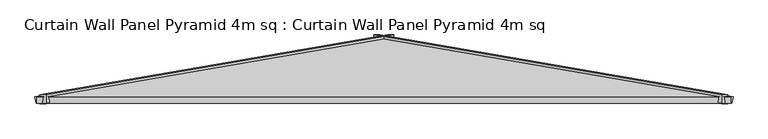
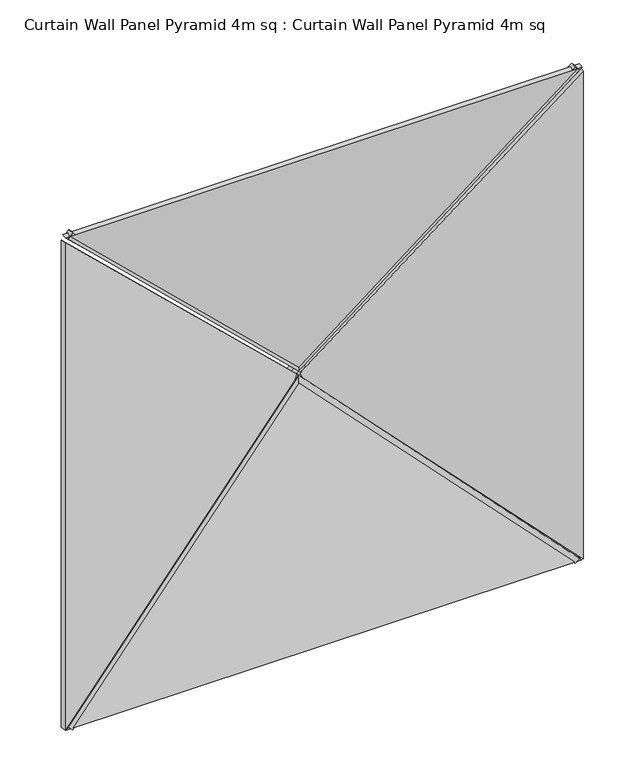
"""IFC4 building model written with IfcOpenShell, lengths in millimetres: plate geometry, Curtain Wall Panel Pyramid 4m sq : Curtain Wall Panel Pyramid 4m sq."""

from ifc_helpers import new_model, si_unit, frame, origin, place, context, project, spatial, polyline, outline, extrude, source, transform, mapped, element, save


def curtain_wall_panel_pyramid_4m_sq_curtain_wall_panel_pyramid_855fecfa(model_context):
    return source(origin(), model_context, "Body", "SweptSolid", [
        extrude(outline(polyline([(-25.0, 0.0), (25.0, 0.0), (-319.5008531, -2828.2124727), (-369.5008531, -2828.2124727), (-25.0, 0.0)])), frame((1942.3223305, 25.0, -17.6776695), z_axis=(0.7071067811865489, 0.0, 0.7071067811865461), x_axis=(0.0, -1.0, 0.0)), (0.0, 0.0, 1.0), 50.0),
        extrude(outline(polyline([(-25.0, 0.0), (25.0, 0.0), (369.5008531, -2828.2124727), (319.5008531, -2828.2124727), (-25.0, 0.0)])), frame((-1942.3223305, 25.0, -17.6776695), z_axis=(-0.7071067811865475, 0.0, 0.7071067811865477), x_axis=(0.0, 1.0, 0.0)), (0.0, 0.0, 1.0), 50.0),
        extrude(outline(polyline([(-25.0, 0.0), (25.0, 0.0), (369.5008531, -2828.2124727), (319.5008531, -2828.2124727), (-25.0, 0.0)])), frame((-1977.6776695, 25.0, 4007.3223305), z_axis=(0.7071067811865489, 0.0, 0.7071067811865462), x_axis=(0.0, 1.0, 0.0)), (0.0, 0.0, 1.0), 50.0),
        extrude(outline(polyline([(-25.0, 0.0), (25.0, 0.0), (-319.5008531, -2828.2124727), (-369.5008531, -2828.2124727), (-25.0, 0.0)])), frame((1977.6776695, 25.0, 4007.3223305), z_axis=(-0.7071067811865472, 0.0, 0.7071067811865479), x_axis=(0.0, -1.0, 0.0)), (0.0, 0.0, 1.0), 50.0),
        extrude(outline(polyline([(1993.2098768, -1014.7271131), (-2.1709376, 1016.8143409), (3988.5906912, 1016.8143409), (1993.2098768, -1014.7271131)])), frame((1000.0, 172.8335872, 0.0), z_axis=(0.16975307948003834, 0.9854866270056859, 0.0), x_axis=(0.0, 0.0, 1.0)), (0.0, 0.0, 1.0), 40.0),
        extrude(outline(polyline([(0.0, -1014.7271131), (-1991.3928218, 1012.7540773), (1991.3928218, 1012.7540773), (0.0, -1014.7271131)])), frame((0.0, 212.2530523, 986.4197536), z_axis=(0.0, -0.9854866270056859, 0.16975307948003834), x_axis=(-1.0, 0.0, 0.0)), (0.0, 0.0, 1.0), 40.0),
        extrude(outline(polyline([(1993.2098768, 1014.7271131), (3986.6374086, -1014.8256606), (-0.217655, -1014.8256606), (1993.2098768, 1014.7271131)])), frame((-1000.0, 172.8335872, 0.0), z_axis=(-0.16975307948003834, 0.9854866270056859, 0.0), x_axis=(0.0, 0.0, 1.0)), (0.0, 0.0, 1.0), 40.0),
        extrude(outline(polyline([(1996.304868, -1017.8221042), (-1996.2959025, -1017.8221042), (2.4233431, 976.0594205), (1996.304868, -1017.8221042)])), frame((0.0, 172.8335872, 3018.2098768), z_axis=(0.0, 0.9854866270056859, 0.16975307948003832), x_axis=(1.0, 0.0, 0.0)), (0.0, 0.0, 1.0), 40.0),
    ])


if __name__ == "__main__":
    model = new_model("IFC4")
    model_context = context("Model", 3, world=origin())
    ifc_project = project(units=[si_unit("LENGTHUNIT", "METRE", prefix="MILLI")], contexts=[model_context])
    site = spatial("IfcSite", under=ifc_project)
    building = spatial("IfcBuilding", under=site)
    placement = place(None, origin())
    curtain_wall_panel_pyramid_4m_sq_curtain_wall_panel_pyramid_shape = curtain_wall_panel_pyramid_4m_sq_curtain_wall_panel_pyramid_855fecfa(model_context)
    element("IfcPlate", 1, ObjectType="Curtain Wall Panel Pyramid 4m sq : Curtain Wall Panel Pyramid 4m sq", at=placement, inside=building, context=model_context, shape_type="MappedRepresentation", body=[
        mapped(curtain_wall_panel_pyramid_4m_sq_curtain_wall_panel_pyramid_shape, transform((0.0, 0.0, 0.0), x_axis=(1.0, 0.0, 0.0), y_axis=(0.0, 1.0, 0.0), z_axis=(0.0, 0.0, 1.0))),
    ])
    save(model, "model.ifc")
